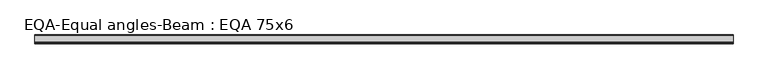
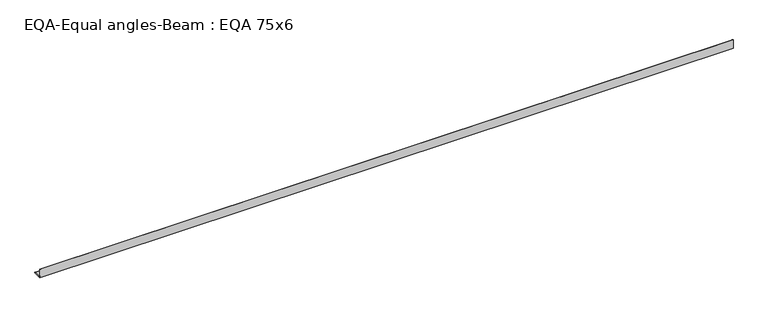
"""IFC4 building model written with IfcOpenShell, lengths in millimetres: beam geometry, EQA-Equal angles-Beam : EQA 75x6."""

from ifc_helpers import new_model, si_unit, point, frame, frame_2d, origin, place, context, project, spatial, polyline, circle_curve, trimmed, segment, composite_curve, outline, extrude, source, transform, mapped, element, save


def eqa_equal_angles_beam_eqa_75x6_47bece9b(model_context):
    return source(origin(), model_context, "Body", "SweptSolid", [
        extrude(outline(composite_curve([segment(polyline([(-20.5, -20.5), (-20.5, 54.5), (-19.0, 54.5)]), True, "CONTINUOUS"), segment(trimmed(circle_curve(frame_2d((-19.0, 50.0)), 4.5), [point((-19.0, 54.5))], [point((-14.5, 50.0))], False, "CARTESIAN"), True, "CONTINUOUS"), segment(polyline([(-14.5, 50.0), (-14.5, -5.5)]), True, "CONTINUOUS"), segment(trimmed(circle_curve(frame_2d((-5.5, -5.5)), 9.0), [point((-14.5, -5.5))], [point((-5.5, -14.5))], True, "CARTESIAN"), True, "CONTINUOUS"), segment(polyline([(-5.5, -14.5), (50.0, -14.5)]), True, "CONTINUOUS"), segment(trimmed(circle_curve(frame_2d((50.0, -19.0)), 4.5), [point((50.0, -14.5))], [point((54.5, -19.0))], False, "CARTESIAN"), True, "CONTINUOUS"), segment(polyline([(54.5, -19.0), (54.5, -20.5), (-20.5, -20.5)]), True, "CONTINUOUS")], self_intersect=False)), frame((-3083.8222435, 0.0, 0.0), z_axis=(1.0, 0.0, 0.0), x_axis=(0.0, 1.0, 0.0)), (0.0, 0.0, 1.0), 6015.0493146),
    ])


if __name__ == "__main__":
    model = new_model("IFC4")
    model_context = context("Model", 3, world=origin())
    ifc_project = project(units=[si_unit("LENGTHUNIT", "METRE", prefix="MILLI")], contexts=[model_context])
    site = spatial("IfcSite", under=ifc_project)
    building = spatial("IfcBuilding", under=site)
    placement = place(None, origin())
    eqa_equal_angles_beam_eqa_75x6_shape = eqa_equal_angles_beam_eqa_75x6_47bece9b(model_context)
    element("IfcBeam", 1, ObjectType="EQA-Equal angles-Beam : EQA 75x6", at=placement, inside=building, context=model_context, shape_type="MappedRepresentation", body=[
        mapped(eqa_equal_angles_beam_eqa_75x6_shape, transform((0.0, 0.0, 0.0), x_axis=(1.0, 0.0, 0.0), y_axis=(0.0, 1.0, 0.0), z_axis=(0.0, 0.0, 1.0))),
    ])
    save(model, "model.ifc")
